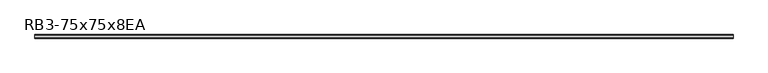
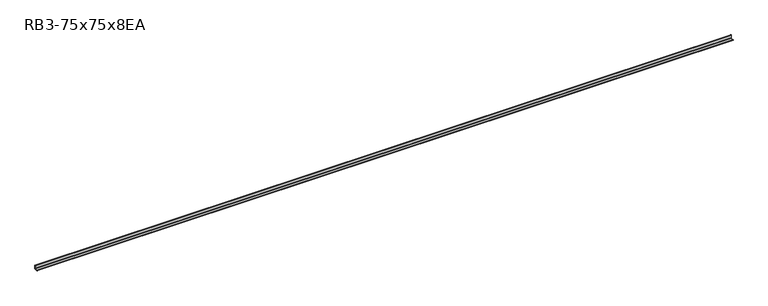
"""IFC4 building model written with IfcOpenShell, lengths in millimetres: member geometry, RB3-75x75x8EA."""

from ifc_helpers import new_model, si_unit, point, frame, frame_2d, origin, place, context, project, spatial, polyline, circle_curve, trimmed, segment, composite_curve, outline, extrude, source, transform, mapped, element, save


def rb3_75x75x8ea_5281ab05(model_context):
    return source(origin(), model_context, "Body", "SweptSolid", [
        extrude(outline(composite_curve([segment(polyline([(21.3, -21.3), (-53.7, -21.3), (-53.7, -18.3)]), True, "CONTINUOUS"), segment(trimmed(circle_curve(frame_2d((-48.7, -18.3)), 5.0), [point((-53.7, -18.3))], [point((-48.7, -13.3))], False, "CARTESIAN"), True, "CONTINUOUS"), segment(polyline([(-48.7, -13.3), (5.3, -13.3)]), True, "CONTINUOUS"), segment(trimmed(circle_curve(frame_2d((5.3, -5.3)), 8.0), [point((5.3, -13.3))], [point((13.3, -5.3))], True, "CARTESIAN"), True, "CONTINUOUS"), segment(polyline([(13.3, -5.3), (13.3, 48.7)]), True, "CONTINUOUS"), segment(trimmed(circle_curve(frame_2d((18.3, 48.7)), 5.0), [point((13.3, 48.7))], [point((18.3, 53.7))], False, "CARTESIAN"), True, "CONTINUOUS"), segment(polyline([(18.3, 53.7), (21.3, 53.7), (21.3, -21.3)]), True, "CONTINUOUS")], self_intersect=False)), frame((-7211.0, 0.0, 0.0), z_axis=(1.0, 0.0, 0.0), x_axis=(0.0, 1.0, 0.0)), (0.0, 0.0, 1.0), 14473.3750069),
    ])


if __name__ == "__main__":
    model = new_model("IFC4")
    model_context = context("Model", 3, world=origin())
    ifc_project = project(units=[si_unit("LENGTHUNIT", "METRE", prefix="MILLI")], contexts=[model_context])
    site = spatial("IfcSite", under=ifc_project)
    building = spatial("IfcBuilding", under=site)
    placement = place(None, origin())
    rb3_75x75x8ea_shape = rb3_75x75x8ea_5281ab05(model_context)
    element("IfcMember", 1, ObjectType="RB3-75x75x8EA", at=placement, inside=building, context=model_context, shape_type="MappedRepresentation", body=[
        mapped(rb3_75x75x8ea_shape, transform((0.0, 0.0, 0.0), x_axis=(1.0, 0.0, 0.0), y_axis=(0.0, 1.0, 0.0), z_axis=(0.0, 0.0, 1.0))),
    ])
    save(model, "model.ifc")
